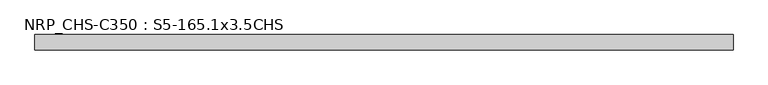
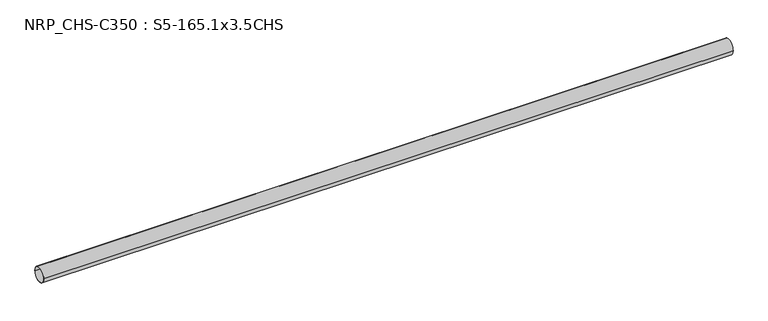
"""IFC4 building model written with IfcOpenShell, lengths in millimetres: beam geometry, NRP_CHS-C350 : S5-165.1x3.5CHS."""

from ifc_helpers import new_model, si_unit, point, frame, origin, origin_2d, place, context, project, spatial, circle_curve, trimmed, segment, composite_curve, outline, extrude, source, transform, mapped, element, save


def nrp_chs_c350_s5_165_1x3_5chs_bd17eae0(model_context):
    return source(origin(), model_context, "Body", "SweptSolid", [
        extrude(outline(composite_curve([segment(trimmed(circle_curve(origin_2d(), 82.55), [point((-82.55, 0.0))], [point((82.55, 0.0))], False, "CARTESIAN"), True, "CONTINUOUS"), segment(trimmed(circle_curve(origin_2d(), 82.55), [point((82.55, 0.0))], [point((-82.55, 0.0))], False, "CARTESIAN"), True, "CONTINUOUS")], self_intersect=False), holes=[composite_curve([segment(trimmed(circle_curve(origin_2d(), 79.05), [point((79.05, 0.0))], [point((-79.05, 0.0))], True, "CARTESIAN"), True, "CONTINUOUS"), segment(trimmed(circle_curve(origin_2d(), 79.05), [point((-79.05, 0.0))], [point((79.05, 0.0))], True, "CARTESIAN"), True, "CONTINUOUS")], self_intersect=False)]), frame((-3766.65, 0.0, 0.0), z_axis=(1.0, 0.0, 0.0), x_axis=(0.0, 1.0, 0.0)), (0.0, 0.0, 1.0), 7542.9),
    ])


if __name__ == "__main__":
    model = new_model("IFC4")
    model_context = context("Model", 3, world=origin())
    ifc_project = project(units=[si_unit("LENGTHUNIT", "METRE", prefix="MILLI")], contexts=[model_context])
    site = spatial("IfcSite", under=ifc_project)
    building = spatial("IfcBuilding", under=site)
    placement = place(None, origin())
    nrp_chs_c350_s5_165_1x3_5chs_shape = nrp_chs_c350_s5_165_1x3_5chs_bd17eae0(model_context)
    element("IfcBeam", 1, ObjectType="NRP_CHS-C350 : S5-165.1x3.5CHS", at=placement, inside=building, context=model_context, shape_type="MappedRepresentation", body=[
        mapped(nrp_chs_c350_s5_165_1x3_5chs_shape, transform((0.0, 0.0, 0.0), x_axis=(1.0, 0.0, 0.0), y_axis=(0.0, 1.0, 0.0), z_axis=(0.0, 0.0, 1.0))),
    ])
    save(model, "model.ifc")
